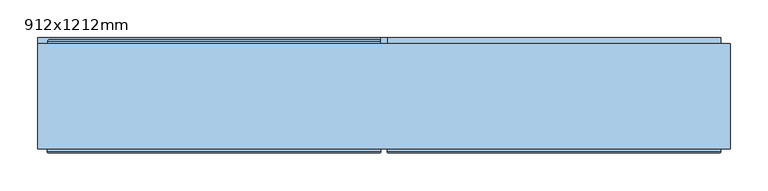
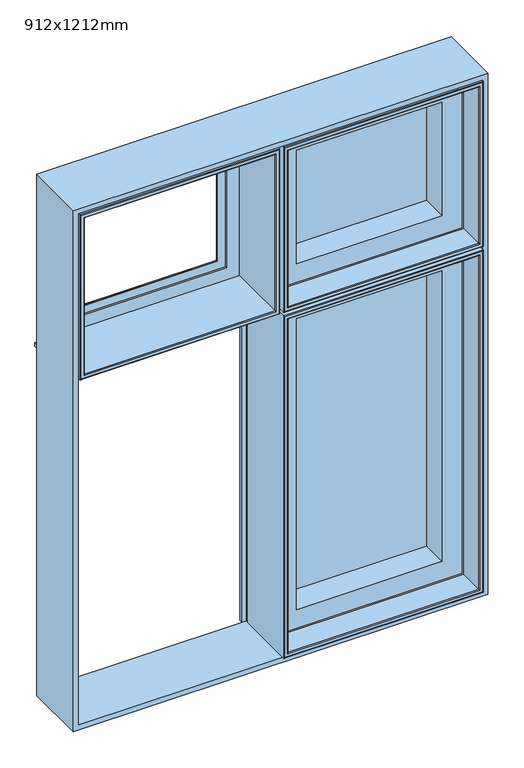
"""IFC4 building model written with IfcOpenShell, lengths in millimetres: window geometry, 912x1212mm."""

from ifc_helpers import new_model, si_unit, frame, origin, place, context, project, spatial, polyline, ellipse_curve, outline, extrude, faceted_brep, source, transform, mapped, element, save
from ifc_brep_helpers import plane_surface, cylinder_surface, revolved_surface, advanced_brep


def window_912x1212mm_fc89abb2(model_context):
    return source(origin(), model_context, "Body", "SolidModel", [
        advanced_brep(
        [(-443.0, 152.5000018, 1999.0), (-441.5000001, 154.0000016, 1997.5000001), (-441.5000001, 154.0000016, 1618.4999999), (-443.0, 152.5000018, 1617.0), (-443.0, 148.3866107, 1999.0), (-443.0, 148.3866107, 1617.0), (-444.0, 142.5000017, 2000.0), (-444.0, 148.3866107, 2000.0), (-444.0, 148.3866107, 1616.0), (-444.0, 142.5000017, 1616.0), (-406.0, 146.5000019, 1962.0), (-406.0, 142.5000017, 1962.0), (-406.0, 142.5000017, 1654.0), (-406.0, 146.5000019, 1654.0), (-387.5192538, 147.4871074, 1943.5192538), (-387.4938789, 146.5000019, 1943.4938789), (-387.4938789, 146.5000019, 1672.5061211), (-387.5192538, 147.4871074, 1672.4807462), (-389.5962483, 148.7951832, 1945.5962483), (-389.5962483, 148.7951832, 1670.4037517), (-390.0, 149.7544748, 1946.0), (-390.0, 149.7544748, 1670.0), (-390.0, 153.0000016, 1946.0), (-390.0, 153.0000016, 1670.0), (-390.5, 153.5000016, 1946.5), (-390.5, 153.5000016, 1669.5), (-406.514074, 154.0000016, 1962.514074), (-405.8, 153.5000016, 1961.8), (-405.8, 153.5000016, 1654.2), (-406.514074, 154.0000016, 1653.485926), (-6.4999999, 154.0000016, 1618.4999999), (-5.0, 152.5000018, 1617.0), (-5.0, 148.3866107, 1617.0), (-4.0, 148.3866107, 1616.0), (-4.0, 142.5000017, 1616.0), (-42.0, 142.5000017, 1654.0), (-42.0, 146.5000019, 1654.0), (-60.5061211, 146.5000019, 1672.5061211), (-60.4807462, 147.4871074, 1672.4807462), (-58.4037517, 148.7951832, 1670.4037517), (-58.0, 149.7544748, 1670.0), (-58.0, 153.0000016, 1670.0), (-57.5, 153.5000016, 1669.5), (-42.2, 153.5000016, 1654.2), (-41.485926, 154.0000016, 1653.485926), (-6.4999999, 154.0000016, 1997.5000001), (-5.0, 152.5000018, 1999.0), (-5.0, 148.3866107, 1999.0), (-4.0, 148.3866107, 2000.0), (-4.0, 142.5000017, 2000.0), (-42.0, 142.5000017, 1962.0), (-42.0, 146.5000019, 1962.0), (-60.5061211, 146.5000019, 1943.4938789), (-60.4807462, 147.4871074, 1943.5192538), (-58.4037517, 148.7951832, 1945.5962483), (-58.0, 149.7544748, 1946.0), (-58.0, 153.0000016, 1946.0), (-57.5, 153.5000016, 1946.5), (-42.2, 153.5000016, 1961.8), (-41.485926, 154.0000016, 1962.514074)],
        [
            (0, 1, ellipse_curve(frame((-441.5000001, 152.5000018, 1997.5000001), z_axis=(-0.7071067811865475, 0.0, -0.7071067811865475), x_axis=(-0.7071067811865474, 0.0, 0.7071067811865476)), 2.1213201, 1.4999998)),
            (1, 2),
            (2, 3, ellipse_curve(frame((-441.5000001, 152.5000018, 1618.4999999), z_axis=(-0.7071067811865475, 0.0, 0.7071067811865475), x_axis=(0.7071067811865474, 0.0, 0.7071067811865476)), 2.1213201, 1.4999998)),
            (3, 0),
            (4, 0),
            (3, 5),
            (5, 4),
            (6, 7),
            (7, 8),
            (8, 9),
            (9, 6),
            (10, 11),
            (11, 12),
            (12, 13),
            (13, 10),
            (14, 15, ellipse_curve(frame((-387.4938789, 146.9938808, 1943.4938789), z_axis=(-0.7071067811865475, 0.0, -0.7071067811865475), x_axis=(-0.7071067811865474, 0.0, 0.7071067811865476)), 0.6984503, 0.4938789)),
            (15, 16),
            (16, 17, ellipse_curve(frame((-387.4938789, 146.9938808, 1672.5061211), z_axis=(-0.7071067811865475, 0.0, 0.7071067811865475), x_axis=(0.7071067811865474, 0.0, 0.7071067811865476)), 0.6984503, 0.4938789)),
            (17, 14),
            (18, 14, ellipse_curve(frame((-387.6227187, 149.6258125, 1943.6227187), z_axis=(0.7071067811865475, 0.0, 0.7071067811865475), x_axis=(0.7071067811865474, 0.0, -0.7071067811865476)), 3.028123, 2.1412063)),
            (17, 19, ellipse_curve(frame((-387.6227187, 149.6258125, 1672.3772813), z_axis=(0.7071067811865475, 0.0, -0.7071067811865475), x_axis=(-0.7071067811865474, 0.0, -0.7071067811865476)), 3.028123, 2.1412063)),
            (19, 18),
            (20, 18),
            (19, 21),
            (21, 20),
            (22, 20),
            (21, 23),
            (23, 22),
            (24, 22, ellipse_curve(frame((-390.5, 153.0000016, 1946.5), z_axis=(-0.7071067811865475, 0.0, -0.7071067811865475), x_axis=(-0.7071067811865474, 0.0, 0.7071067811865476)), 0.7071068, 0.5)),
            (23, 25, ellipse_curve(frame((-390.5, 153.0000016, 1669.5), z_axis=(-0.7071067811865475, 0.0, 0.7071067811865475), x_axis=(0.7071067811865474, 0.0, 0.7071067811865476)), 0.7071068, 0.5)),
            (25, 24),
            (26, 27),
            (27, 28),
            (28, 29),
            (29, 26),
            (2, 30),
            (30, 31, ellipse_curve(frame((-6.4999999, 152.5000018, 1618.4999999), z_axis=(-0.7071067811865475, 0.0, -0.7071067811865475), x_axis=(-0.7071067811865476, 0.0, 0.7071067811865474)), 2.1213201, 1.4999998)),
            (31, 3),
            (31, 32),
            (32, 5),
            (8, 33),
            (33, 34),
            (34, 9),
            (12, 35),
            (35, 36),
            (36, 13),
            (16, 37),
            (37, 38, ellipse_curve(frame((-60.5061211, 146.9938808, 1672.5061211), z_axis=(-0.7071067811865475, 0.0, -0.7071067811865475), x_axis=(-0.7071067811865476, 0.0, 0.7071067811865474)), 0.6984503, 0.4938789)),
            (38, 17),
            (38, 39, ellipse_curve(frame((-60.3772813, 149.6258125, 1672.3772813), z_axis=(0.7071067811865475, 0.0, 0.7071067811865475), x_axis=(0.7071067811865476, 0.0, -0.7071067811865474)), 3.028123, 2.1412063)),
            (39, 19),
            (39, 40),
            (40, 21),
            (40, 41),
            (41, 23),
            (41, 42, ellipse_curve(frame((-57.5, 153.0000016, 1669.5), z_axis=(-0.7071067811865475, 0.0, -0.7071067811865475), x_axis=(-0.7071067811865476, 0.0, 0.7071067811865474)), 0.7071068, 0.5)),
            (42, 25),
            (28, 43),
            (43, 44),
            (44, 29),
            (30, 45),
            (45, 46, ellipse_curve(frame((-6.4999999, 152.5000018, 1997.5000001), z_axis=(0.7071067811865475, 0.0, -0.7071067811865475), x_axis=(-0.7071067811865474, 0.0, -0.7071067811865476)), 2.1213201, 1.4999998)),
            (46, 31),
            (46, 47),
            (47, 32),
            (33, 48),
            (48, 49),
            (49, 34),
            (35, 50),
            (50, 51),
            (51, 36),
            (37, 52),
            (52, 53, ellipse_curve(frame((-60.5061211, 146.9938808, 1943.4938789), z_axis=(0.7071067811865475, 0.0, -0.7071067811865475), x_axis=(-0.7071067811865474, 0.0, -0.7071067811865476)), 0.6984503, 0.4938789)),
            (53, 38),
            (53, 54, ellipse_curve(frame((-60.3772813, 149.6258125, 1943.6227187), z_axis=(-0.7071067811865475, 0.0, 0.7071067811865475), x_axis=(0.7071067811865474, 0.0, 0.7071067811865476)), 3.028123, 2.1412063)),
            (54, 39),
            (54, 55),
            (55, 40),
            (55, 56),
            (56, 41),
            (56, 57, ellipse_curve(frame((-57.5, 153.0000016, 1946.5), z_axis=(0.7071067811865475, 0.0, -0.7071067811865475), x_axis=(-0.7071067811865474, 0.0, -0.7071067811865476)), 0.7071068, 0.5)),
            (57, 42),
            (43, 58),
            (58, 59),
            (59, 44),
            (1, 45),
            (59, 26),
            (0, 46),
            (4, 47),
            (7, 48),
            (6, 49),
            (11, 50),
            (10, 51),
            (15, 52),
            (14, 53),
            (18, 54),
            (20, 55),
            (22, 56),
            (24, 57),
            (27, 58),
        ],
        [
            cylinder_surface(frame((-441.5000001, 152.5000018, 2000.0), z_axis=(0.0, 0.0, 1.0), x_axis=(1.0, 0.0, 0.0)), 1.4999998),
            plane_surface(frame((-443.0, 152.5000018, 1999.0), z_axis=(-1.0, 0.0, 0.0), x_axis=(0.0, 0.0, -1.0))),
            plane_surface(frame((-444.0, 148.3866107, 2000.0), z_axis=(-1.0, 0.0, 0.0), x_axis=(0.0, 0.0, -1.0))),
            plane_surface(frame((-406.0, 142.5000017, 1962.0), z_axis=(1.0, 0.0, 0.0), x_axis=(0.0, 0.0, -1.0))),
            cylinder_surface(frame((-387.4938789, 146.9938808, 2000.0), z_axis=(0.0, 0.0, 1.0), x_axis=(1.0, 0.0, 0.0)), 0.4938789),
            revolved_surface(polyline([(-385.4815124, 149.6258125, 1670.236074992433), (-385.4815124, 149.6258125, 1945.763925007567)]), (-387.6227187, 149.6258125, 2000.0), (0.0, 0.0, -1.0)),
            plane_surface(frame((-389.5962483, 148.7951832, 1945.5962483), z_axis=(0.9216905703601862, 0.3879258853300649, 0.0), x_axis=(0.0, 0.0, -1.0))),
            plane_surface(frame((-390.0, 149.7544748, 1946.0), z_axis=(1.0, 0.0, 0.0), x_axis=(0.0, 0.0, -1.0))),
            cylinder_surface(frame((-390.5, 153.0000016, 2000.0), z_axis=(0.0, 0.0, 1.0), x_axis=(1.0, 0.0, 0.0)), 0.5),
            plane_surface(frame((-405.8, 153.5000016, 1961.8), z_axis=(0.5735764363510134, 0.8191520442890148, 0.0), x_axis=(0.0, 0.0, -1.0))),
            cylinder_surface(frame((-444.0, 152.5000018, 1618.4999999), z_axis=(-1.0, 0.0, 0.0), x_axis=(0.0, 0.0, 1.0)), 1.4999998),
            plane_surface(frame((-443.0, 152.5000018, 1617.0), z_axis=(0.0, 0.0, -1.0), x_axis=(1.0, 0.0, 0.0))),
            plane_surface(frame((-444.0, 148.3866107, 1616.0), z_axis=(0.0, 0.0, -1.0), x_axis=(1.0, 0.0, 0.0))),
            plane_surface(frame((-406.0, 142.5000017, 1654.0), z_axis=(0.0, 0.0, 1.0), x_axis=(1.0, 0.0, 0.0))),
            cylinder_surface(frame((-444.0, 146.9938808, 1672.5061211), z_axis=(-1.0, 0.0, 0.0), x_axis=(0.0, 0.0, 1.0)), 0.4938789),
            revolved_surface(polyline([(-58.23607499243303, 149.6258125, 1674.5184876), (-389.76392500756697, 149.6258125, 1674.5184876)]), (-444.0, 149.6258125, 1672.3772813), (1.0, 0.0, 0.0)),
            plane_surface(frame((-389.5962483, 148.7951832, 1670.4037517), z_axis=(0.0, 0.3879258853300679, 0.921690570360185), x_axis=(1.0, 0.0, 0.0))),
            plane_surface(frame((-390.0, 149.7544748, 1670.0), z_axis=(0.0, 0.0, 1.0), x_axis=(1.0, 0.0, 0.0))),
            cylinder_surface(frame((-444.0, 153.0000016, 1669.5), z_axis=(-1.0, 0.0, 0.0), x_axis=(0.0, 0.0, 1.0)), 0.5),
            plane_surface(frame((-405.8, 153.5000016, 1654.2), z_axis=(0.0, 0.8191520442890167, 0.5735764363510107), x_axis=(1.0, 0.0, 0.0))),
            cylinder_surface(frame((-6.4999999, 152.5000018, 1616.0), z_axis=(0.0, 0.0, -1.0), x_axis=(-1.0, 0.0, 0.0)), 1.4999998),
            plane_surface(frame((-5.0, 152.5000018, 1617.0), z_axis=(1.0, 0.0, 0.0), x_axis=(0.0, 0.0, 1.0))),
            plane_surface(frame((-4.0, 148.3866107, 1616.0), z_axis=(1.0, 0.0, 0.0), x_axis=(0.0, 0.0, 1.0))),
            plane_surface(frame((-42.0, 142.5000017, 1654.0), z_axis=(-1.0, 0.0, 0.0), x_axis=(0.0, 0.0, 1.0))),
            cylinder_surface(frame((-60.5061211, 146.9938808, 1616.0), z_axis=(0.0, 0.0, -1.0), x_axis=(-1.0, 0.0, 0.0)), 0.4938789),
            revolved_surface(polyline([(-62.5184876, 149.6258125, 1945.763925007567), (-62.5184876, 149.6258125, 1670.236074992433)]), (-60.3772813, 149.6258125, 1616.0), (0.0, 0.0, 1.0)),
            plane_surface(frame((-58.4037517, 148.7951832, 1670.4037517), z_axis=(-0.9216905703601838, 0.3879258853300709, 0.0), x_axis=(0.0, 0.0, 1.0))),
            plane_surface(frame((-58.0, 149.7544748, 1670.0), z_axis=(-1.0, 0.0, 0.0), x_axis=(0.0, 0.0, 1.0))),
            cylinder_surface(frame((-57.5, 153.0000016, 1616.0), z_axis=(0.0, 0.0, -1.0), x_axis=(-1.0, 0.0, 0.0)), 0.5),
            plane_surface(frame((-42.2, 153.5000016, 1654.2), z_axis=(-0.5735764363510081, 0.8191520442890186, 0.0), x_axis=(0.0, 0.0, 1.0))),
            plane_surface(frame((-41.485926, 154.0000016, 1962.514074), z_axis=(0.0, 1.0, 0.0), x_axis=(-1.0, 0.0, 0.0))),
            cylinder_surface(frame((-4.0, 152.5000018, 1997.5000001), z_axis=(1.0, 0.0, 0.0), x_axis=(0.0, 0.0, -1.0)), 1.4999998),
            plane_surface(frame((-5.0, 152.5000018, 1999.0), z_axis=(0.0, 0.0, 1.0), x_axis=(-1.0, 0.0, 0.0))),
            plane_surface(frame((-5.0, 148.3866107, 1999.0), z_axis=(0.0, 1.0, 0.0), x_axis=(-1.0, 0.0, 0.0))),
            plane_surface(frame((-4.0, 148.3866107, 2000.0), z_axis=(0.0, 0.0, 1.0), x_axis=(-1.0, 0.0, 0.0))),
            plane_surface(frame((-4.0, 142.5000017, 2000.0), z_axis=(0.0, -1.0, 0.0), x_axis=(-1.0, 0.0, 0.0))),
            plane_surface(frame((-42.0, 142.5000017, 1962.0), z_axis=(0.0, 0.0, -1.0), x_axis=(-1.0, 0.0, 0.0))),
            plane_surface(frame((-42.0, 146.5000019, 1962.0), z_axis=(0.0, -1.0, 0.0), x_axis=(-1.0, 0.0, 0.0))),
            cylinder_surface(frame((-4.0, 146.9938808, 1943.4938789), z_axis=(1.0, 0.0, 0.0), x_axis=(0.0, 0.0, -1.0)), 0.4938789),
            revolved_surface(polyline([(-389.76392500756697, 149.6258125, 1941.4815124), (-58.236074992433046, 149.6258125, 1941.4815124)]), (-4.0, 149.6258125, 1943.6227187), (-1.0, 0.0, 0.0)),
            plane_surface(frame((-58.4037517, 148.7951832, 1945.5962483), z_axis=(0.0, 0.3879258853300679, -0.921690570360185), x_axis=(-1.0, 0.0, 0.0))),
            plane_surface(frame((-58.0, 149.7544748, 1946.0), z_axis=(0.0, 0.0, -1.0), x_axis=(-1.0, 0.0, 0.0))),
            cylinder_surface(frame((-4.0, 153.0000016, 1946.5), z_axis=(1.0, 0.0, 0.0), x_axis=(0.0, 0.0, -1.0)), 0.5),
            plane_surface(frame((-57.5, 153.5000016, 1946.5), z_axis=(0.0, 1.0, 0.0), x_axis=(-1.0, 0.0, 0.0))),
            plane_surface(frame((-42.2, 153.5000016, 1961.8), z_axis=(0.0, 0.8191520442890167, -0.5735764363510107), x_axis=(-1.0, 0.0, 0.0))),
        ],
        [
            (0, [[1, 2, 3, 4]]),
            (1, [[5, -4, 6, 7]]),
            (2, [[8, 9, 10, 11]]),
            (3, [[12, 13, 14, 15]]),
            (4, [[16, 17, 18, 19]]),
            (5, [[20, -19, 21, 22]]),
            (6, [[23, -22, 24, 25]]),
            (7, [[26, -25, 27, 28]]),
            (8, [[29, -28, 30, 31]]),
            (9, [[32, 33, 34, 35]]),
            (10, [[-3, 36, 37, 38]]),
            (11, [[-6, -38, 39, 40]]),
            (12, [[-10, 41, 42, 43]]),
            (13, [[-14, 44, 45, 46]]),
            (14, [[-18, 47, 48, 49]]),
            (15, [[-21, -49, 50, 51]]),
            (16, [[-24, -51, 52, 53]]),
            (17, [[-27, -53, 54, 55]]),
            (18, [[-30, -55, 56, 57]]),
            (19, [[-34, 58, 59, 60]]),
            (20, [[-37, 61, 62, 63]]),
            (21, [[-39, -63, 64, 65]]),
            (22, [[-42, 66, 67, 68]]),
            (23, [[-45, 69, 70, 71]]),
            (24, [[-48, 72, 73, 74]]),
            (25, [[-50, -74, 75, 76]]),
            (26, [[-52, -76, 77, 78]]),
            (27, [[-54, -78, 79, 80]]),
            (28, [[-56, -80, 81, 82]]),
            (29, [[-59, 83, 84, 85]]),
            (30, [[86, -61, -36, -2], [-60, -85, 87, -35]]),
            (31, [[-62, -86, -1, 88]]),
            (32, [[-64, -88, -5, 89]]),
            (33, [[90, -66, -41, -9], [-40, -65, -89, -7]]),
            (34, [[-67, -90, -8, 91]]),
            (35, [[-43, -68, -91, -11], [92, -69, -44, -13]]),
            (36, [[-70, -92, -12, 93]]),
            (37, [[-46, -71, -93, -15], [94, -72, -47, -17]]),
            (38, [[-73, -94, -16, 95]]),
            (39, [[-75, -95, -20, 96]]),
            (40, [[-77, -96, -23, 97]]),
            (41, [[-79, -97, -26, 98]]),
            (42, [[-81, -98, -29, 99]]),
            (43, [[100, -83, -58, -33], [-57, -82, -99, -31]]),
            (44, [[-84, -100, -32, -87]]),
        ],
    ),
        extrude(outline(polyline([(402.0, 118.5000018), (46.0, 118.5000018), (46.0, 146.5000018), (402.0, 146.5000018), (402.0, 118.5000018)])), frame((0.0, 0.0, 1658.0), z_axis=(0.0, 0.0, 1.0), x_axis=(1.0, 0.0, 0.0)), (0.0, 0.0, 1.0), 300.0),
        extrude(outline(polyline([(800.0, -456.0), (800.0, 456.0), (2012.0, 456.0), (2012.0, -456.0), (800.0, -456.0)]), holes=[polyline([(2000.0, -444.0), (2000.0, 444.0), (812.0, 444.0), (812.0, -444.0), (2000.0, -444.0)])]), frame((0.0, 10.0000016, 0.0), z_axis=(0.0, 1.0, 0.0), x_axis=(0.0, 0.0, 1.0)), (0.0, 0.0, 1.0), 139.0),
        faceted_brep([(-456.0, 146.0000016, 1616.0), (-456.0, 156.7000016, 1616.0), (-456.0, 156.7000016, 1608.0), (-456.0, 146.0000016, 1608.0), (444.0, 146.0000016, 1616.0), (444.0, 146.0000016, 1608.0), (444.0, 156.7000016, 1608.0), (444.0, 156.7000016, 1616.0), (-4.0, 156.7000016, 1608.0), (-4.0, 149.0000016, 1608.0), (4.0, 149.0000016, 1608.0), (4.0, 156.7000016, 1608.0), (-4.0, 156.7000016, 1616.0), (-4.0, 156.7000016, 2000.0), (4.0, 156.7000016, 2000.0), (4.0, 156.7000016, 1616.0), (4.0, 156.7000016, 812.0), (-4.0, 156.7000016, 812.0), (4.0, 149.0000016, 1616.0), (-4.0, 149.0000016, 1616.0), (4.0, 149.0000016, 2000.0), (-4.0, 149.0000016, 2000.0), (4.0, 149.0000016, 812.0), (-4.0, 149.0000016, 812.0)], [[[0, 1, 2, 3]], [[4, 5, 6, 7]], [[0, 3, 5, 4]], [[3, 2, 8, 9, 10, 11, 6, 5]], [[2, 1, 12, 13, 14, 15, 7, 6, 11, 16, 17, 8]], [[1, 0, 4, 7, 15, 18, 19, 12]], [[20, 14, 13, 21]], [[22, 23, 17, 16]], [[20, 21, 19, 18]], [[23, 22, 10, 9]], [[21, 13, 12, 19]], [[17, 23, 9, 8]], [[14, 20, 18, 15]], [[22, 16, 11, 10]]]),
        advanced_brep(
        [(12.5, 5.0000015, 820.5), (14.0, 6.5000015, 822.0), (14.0, 6.5000015, 1598.0), (12.5, 5.0000015, 1599.5), (14.0, 142.5000017, 822.0), (14.0, 142.5000017, 1598.0), (4.0, 142.5000017, 812.0), (4.0, 6.5000015, 812.0), (4.0, 6.5000015, 1608.0), (4.0, 142.5000017, 1608.0), (5.5, 5.0000015, 813.5), (5.5, 5.0000015, 1606.5), (434.0, 6.5000015, 1598.0), (435.5, 5.0000015, 1599.5), (434.0, 142.5000017, 1598.0), (444.0, 6.5000015, 1608.0), (444.0, 142.5000017, 1608.0), (442.5, 5.0000015, 1606.5), (434.0, 6.5000015, 822.0), (435.5, 5.0000015, 820.5), (434.0, 142.5000017, 822.0), (444.0, 6.5000015, 812.0), (444.0, 142.5000017, 812.0), (442.5, 5.0000015, 813.5)],
        [
            (0, 1, ellipse_curve(frame((12.5, 6.5000015, 820.5), z_axis=(-0.7071067811865521, 0.0, 0.7071067811865429), x_axis=(-0.7071067811865429, 0.0, -0.7071067811865522)), 2.1213203, 1.5)),
            (1, 2),
            (2, 3, ellipse_curve(frame((12.5, 6.5000015, 1599.5), z_axis=(-0.7071067811865428, 0.0, -0.7071067811865521), x_axis=(0.707106781186552, 0.0, -0.7071067811865429)), 2.1213203, 1.5)),
            (3, 0),
            (1, 4),
            (4, 5),
            (5, 2),
            (6, 7),
            (7, 8),
            (8, 9),
            (9, 6),
            (7, 10, ellipse_curve(frame((5.5, 6.5000015, 813.5), z_axis=(-0.7071067811865521, 0.0, 0.7071067811865429), x_axis=(-0.7071067811865429, 0.0, -0.7071067811865522)), 2.1213203, 1.5)),
            (10, 11),
            (11, 8, ellipse_curve(frame((5.5, 6.5000015, 1606.5), z_axis=(-0.7071067811865428, 0.0, -0.7071067811865521), x_axis=(0.707106781186552, 0.0, -0.7071067811865429)), 2.1213203, 1.5)),
            (2, 12),
            (12, 13, ellipse_curve(frame((435.5, 6.5000015, 1599.5), z_axis=(-0.707106781186552, 0.0, 0.7071067811865429), x_axis=(-0.707106781186543, 0.0, -0.7071067811865519)), 2.1213203, 1.5)),
            (13, 3),
            (5, 14),
            (14, 12),
            (8, 15),
            (15, 16),
            (16, 9),
            (11, 17),
            (17, 15, ellipse_curve(frame((442.5, 6.5000015, 1606.5), z_axis=(-0.707106781186552, 0.0, 0.7071067811865429), x_axis=(-0.707106781186543, 0.0, -0.7071067811865519)), 2.1213203, 1.5)),
            (12, 18),
            (18, 19, ellipse_curve(frame((435.5, 6.5000015, 820.5), z_axis=(0.7071067811865429, 0.0, 0.7071067811865521), x_axis=(-0.707106781186552, 0.0, 0.7071067811865429)), 2.1213203, 1.5)),
            (19, 13),
            (14, 20),
            (20, 18),
            (15, 21),
            (21, 22),
            (22, 16),
            (17, 23),
            (23, 21, ellipse_curve(frame((442.5, 6.5000015, 813.5), z_axis=(0.7071067811865429, 0.0, 0.7071067811865521), x_axis=(-0.707106781186552, 0.0, 0.7071067811865429)), 2.1213203, 1.5)),
            (0, 19),
            (18, 1),
            (20, 4),
            (22, 6),
            (21, 7),
            (23, 10),
        ],
        [
            cylinder_surface(frame((12.5, 6.5000015, 812.0), z_axis=(0.0, 0.0, -1.0), x_axis=(0.0, -1.0, 0.0)), 1.5),
            plane_surface(frame((14.0, 142.5000017, 822.0), z_axis=(1.0, 0.0, 0.0), x_axis=(0.0, 0.0, 1.0))),
            plane_surface(frame((4.0, 6.5000015, 812.0), z_axis=(-1.0, 0.0, 0.0), x_axis=(0.0, 0.0, 1.0))),
            cylinder_surface(frame((5.5, 6.5000015, 812.0), z_axis=(0.0, 0.0, -1.0), x_axis=(0.0, -1.0, 0.0)), 1.5),
            cylinder_surface(frame((4.0, 6.5000015, 1599.5), z_axis=(-1.0, 0.0, 0.0), x_axis=(0.0, -1.0, 0.0)), 1.5),
            plane_surface(frame((14.0, 142.5000017, 1598.0), z_axis=(0.0, 0.0, -1.0), x_axis=(1.0, 0.0, 0.0))),
            plane_surface(frame((4.0, 6.5000015, 1608.0), z_axis=(0.0, 0.0, 1.0), x_axis=(1.0, 0.0, 0.0))),
            cylinder_surface(frame((4.0, 6.5000015, 1606.5), z_axis=(-1.0, 0.0, 0.0), x_axis=(0.0, -1.0, 0.0)), 1.5),
            cylinder_surface(frame((435.5, 6.5000015, 1608.0), z_axis=(0.0, 0.0, 1.0), x_axis=(0.0, -1.0, 0.0)), 1.5),
            plane_surface(frame((434.0, 142.5000017, 1598.0), z_axis=(-1.0, 0.0, 0.0), x_axis=(0.0, 0.0, -1.0))),
            plane_surface(frame((444.0, 6.5000015, 1608.0), z_axis=(1.0, 0.0, 0.0), x_axis=(0.0, 0.0, -1.0))),
            cylinder_surface(frame((442.5, 6.5000015, 1608.0), z_axis=(0.0, 0.0, 1.0), x_axis=(0.0, -1.0, 0.0)), 1.5),
            cylinder_surface(frame((444.0, 6.5000015, 820.5), z_axis=(1.0, 0.0, 0.0), x_axis=(0.0, -1.0, 0.0)), 1.5),
            plane_surface(frame((434.0, 142.5000017, 822.0), z_axis=(0.0, 0.0, 1.0), x_axis=(-1.0, 0.0, 0.0))),
            plane_surface(frame((444.0, 142.5000017, 812.0), z_axis=(0.0, 1.0, 0.0), x_axis=(-1.0, 0.0, 0.0))),
            plane_surface(frame((444.0, 6.5000015, 812.0), z_axis=(0.0, 0.0, -1.0), x_axis=(-1.0, 0.0, 0.0))),
            cylinder_surface(frame((444.0, 6.5000015, 813.5), z_axis=(1.0, 0.0, 0.0), x_axis=(0.0, -1.0, 0.0)), 1.5),
            plane_surface(frame((435.5, 5.0000015, 820.5), z_axis=(0.0, -1.0, 0.0), x_axis=(-1.0, 0.0, 0.0))),
        ],
        [
            (0, [[1, 2, 3, 4]]),
            (1, [[-2, 5, 6, 7]]),
            (2, [[8, 9, 10, 11]]),
            (3, [[-9, 12, 13, 14]]),
            (4, [[-3, 15, 16, 17]]),
            (5, [[-7, 18, 19, -15]]),
            (6, [[-10, 20, 21, 22]]),
            (7, [[-14, 23, 24, -20]]),
            (8, [[-16, 25, 26, 27]]),
            (9, [[-19, 28, 29, -25]]),
            (10, [[-21, 30, 31, 32]]),
            (11, [[-24, 33, 34, -30]]),
            (12, [[-1, 35, -26, 36]]),
            (13, [[-5, -36, -29, 37]]),
            (14, [[-11, -22, -32, 38], [-6, -37, -28, -18]]),
            (15, [[-8, -38, -31, 39]]),
            (16, [[-12, -39, -34, 40]]),
            (17, [[-13, -40, -33, -23], [-4, -17, -27, -35]]),
        ],
    ),
        advanced_brep(
        [(14.0, 6.5000016, 1990.0), (12.5, 5.0000016, 1991.5), (12.5, 5.0000016, 1624.5), (14.0, 6.5000016, 1626.0), (14.0, 142.5000017, 1626.0), (14.0, 142.5000017, 1990.0), (4.0, 6.5000016, 2000.0), (4.0, 142.5000017, 2000.0), (4.0, 142.5000017, 1616.0), (4.0, 6.5000016, 1616.0), (5.5, 5.0000016, 1617.5), (5.5, 5.0000016, 1998.5), (435.5, 5.0000016, 1624.5), (434.0, 6.5000016, 1626.0), (434.0, 142.5000017, 1626.0), (444.0, 142.5000017, 1616.0), (444.0, 6.5000016, 1616.0), (442.5, 5.0000016, 1617.5), (435.5, 5.0000016, 1991.5), (434.0, 6.5000016, 1990.0), (434.0, 142.5000017, 1990.0), (444.0, 142.5000017, 2000.0), (444.0, 6.5000016, 2000.0), (442.5, 5.0000016, 1998.5)],
        [
            (0, 1, ellipse_curve(frame((12.5, 6.5000016, 1991.5), z_axis=(-0.7071067811865475, 0.0, -0.7071067811865475), x_axis=(-0.7071067811865474, 0.0, 0.7071067811865476)), 2.1213203, 1.5)),
            (1, 2),
            (2, 3, ellipse_curve(frame((12.5, 6.5000016, 1624.5), z_axis=(-0.7071067811865475, 0.0, 0.7071067811865475), x_axis=(0.7071067811865474, 0.0, 0.7071067811865476)), 2.1213203, 1.5)),
            (3, 0),
            (3, 4),
            (4, 5),
            (5, 0),
            (6, 7),
            (7, 8),
            (8, 9),
            (9, 6),
            (9, 10, ellipse_curve(frame((5.5, 6.5000016, 1617.5), z_axis=(-0.7071067811865475, 0.0, 0.7071067811865475), x_axis=(0.7071067811865474, 0.0, 0.7071067811865476)), 2.1213203, 1.5)),
            (10, 11),
            (11, 6, ellipse_curve(frame((5.5, 6.5000016, 1998.5), z_axis=(-0.7071067811865475, 0.0, -0.7071067811865475), x_axis=(-0.7071067811865474, 0.0, 0.7071067811865476)), 2.1213203, 1.5)),
            (2, 12),
            (12, 13, ellipse_curve(frame((435.5, 6.5000016, 1624.5), z_axis=(-0.7071067811865475, 0.0, -0.7071067811865475), x_axis=(-0.7071067811865476, 0.0, 0.7071067811865474)), 2.1213203, 1.5)),
            (13, 3),
            (13, 14),
            (14, 4),
            (8, 15),
            (15, 16),
            (16, 9),
            (16, 17, ellipse_curve(frame((442.5, 6.5000016, 1617.5), z_axis=(-0.7071067811865475, 0.0, -0.7071067811865475), x_axis=(-0.7071067811865476, 0.0, 0.7071067811865474)), 2.1213203, 1.5)),
            (17, 10),
            (12, 18),
            (18, 19, ellipse_curve(frame((435.5, 6.5000016, 1991.5), z_axis=(0.7071067811865475, 0.0, -0.7071067811865475), x_axis=(-0.7071067811865474, 0.0, -0.7071067811865476)), 2.1213203, 1.5)),
            (19, 13),
            (19, 20),
            (20, 14),
            (15, 21),
            (21, 22),
            (22, 16),
            (22, 23, ellipse_curve(frame((442.5, 6.5000016, 1998.5), z_axis=(0.7071067811865475, 0.0, -0.7071067811865475), x_axis=(-0.7071067811865474, 0.0, -0.7071067811865476)), 2.1213203, 1.5)),
            (23, 17),
            (0, 19),
            (18, 1),
            (5, 20),
            (7, 21),
            (6, 22),
            (11, 23),
        ],
        [
            cylinder_surface(frame((12.5, 6.5000016, 2000.0), z_axis=(0.0, 0.0, 1.0), x_axis=(1.0, 0.0, 0.0)), 1.5),
            plane_surface(frame((14.0, 6.5000016, 1990.0), z_axis=(1.0, 0.0, 0.0), x_axis=(0.0, 0.0, -1.0))),
            plane_surface(frame((4.0, 142.5000017, 2000.0), z_axis=(-1.0, 0.0, 0.0), x_axis=(0.0, 0.0, -1.0))),
            cylinder_surface(frame((5.5, 6.5000016, 2000.0), z_axis=(0.0, 0.0, 1.0), x_axis=(1.0, 0.0, 0.0)), 1.5),
            cylinder_surface(frame((4.0, 6.5000016, 1624.5), z_axis=(-1.0, 0.0, 0.0), x_axis=(0.0, 0.0, 1.0)), 1.5),
            plane_surface(frame((14.0, 6.5000016, 1626.0), z_axis=(0.0, 0.0, 1.0), x_axis=(1.0, 0.0, 0.0))),
            plane_surface(frame((4.0, 142.5000017, 1616.0), z_axis=(0.0, 0.0, -1.0), x_axis=(1.0, 0.0, 0.0))),
            cylinder_surface(frame((4.0, 6.5000016, 1617.5), z_axis=(-1.0, 0.0, 0.0), x_axis=(0.0, 0.0, 1.0)), 1.5),
            cylinder_surface(frame((435.5, 6.5000016, 1616.0), z_axis=(0.0, 0.0, -1.0), x_axis=(-1.0, 0.0, 0.0)), 1.5),
            plane_surface(frame((434.0, 6.5000016, 1626.0), z_axis=(-1.0, 0.0, 0.0), x_axis=(0.0, 0.0, 1.0))),
            plane_surface(frame((444.0, 142.5000017, 1616.0), z_axis=(1.0, 0.0, 0.0), x_axis=(0.0, 0.0, 1.0))),
            cylinder_surface(frame((442.5, 6.5000016, 1616.0), z_axis=(0.0, 0.0, -1.0), x_axis=(-1.0, 0.0, 0.0)), 1.5),
            cylinder_surface(frame((444.0, 6.5000016, 1991.5), z_axis=(1.0, 0.0, 0.0), x_axis=(0.0, 0.0, -1.0)), 1.5),
            plane_surface(frame((434.0, 6.5000016, 1990.0), z_axis=(0.0, 0.0, -1.0), x_axis=(-1.0, 0.0, 0.0))),
            plane_surface(frame((434.0, 142.5000017, 1990.0), z_axis=(0.0, 1.0, 0.0), x_axis=(-1.0, 0.0, 0.0))),
            plane_surface(frame((444.0, 142.5000017, 2000.0), z_axis=(0.0, 0.0, 1.0), x_axis=(-1.0, 0.0, 0.0))),
            cylinder_surface(frame((444.0, 6.5000016, 1998.5), z_axis=(1.0, 0.0, 0.0), x_axis=(0.0, 0.0, -1.0)), 1.5),
            plane_surface(frame((442.5, 5.0000016, 1998.5), z_axis=(0.0, -1.0, 0.0), x_axis=(-1.0, 0.0, 0.0))),
        ],
        [
            (0, [[1, 2, 3, 4]]),
            (1, [[-4, 5, 6, 7]]),
            (2, [[8, 9, 10, 11]]),
            (3, [[-11, 12, 13, 14]]),
            (4, [[-3, 15, 16, 17]]),
            (5, [[-5, -17, 18, 19]]),
            (6, [[-10, 20, 21, 22]]),
            (7, [[-12, -22, 23, 24]]),
            (8, [[-16, 25, 26, 27]]),
            (9, [[-18, -27, 28, 29]]),
            (10, [[-21, 30, 31, 32]]),
            (11, [[-23, -32, 33, 34]]),
            (12, [[-1, 35, -26, 36]]),
            (13, [[-7, 37, -28, -35]]),
            (14, [[-9, 38, -30, -20], [-6, -19, -29, -37]]),
            (15, [[-8, 39, -31, -38]]),
            (16, [[-14, 40, -33, -39]]),
            (17, [[-13, -24, -34, -40], [-2, -36, -25, -15]]),
        ],
    ),
        advanced_brep(
        [(-434.0, 6.5000015, 1990.0), (-435.5, 5.0000015, 1991.5), (-435.5, 5.0000015, 1624.5), (-434.0, 6.5000015, 1626.0), (-434.0, 142.5000017, 1626.0), (-434.0, 142.5000017, 1990.0), (-444.0, 6.5000015, 2000.0), (-444.0, 142.5000017, 2000.0), (-444.0, 142.5000017, 1616.0), (-444.0, 6.5000015, 1616.0), (-442.5, 5.0000015, 1617.5), (-442.5, 5.0000015, 1998.5), (-12.5, 5.0000015, 1624.5), (-14.0, 6.5000015, 1626.0), (-14.0, 142.5000017, 1626.0), (-4.0, 142.5000017, 1616.0), (-4.0, 6.5000015, 1616.0), (-5.5, 5.0000015, 1617.5), (-12.5, 5.0000015, 1991.5), (-14.0, 6.5000015, 1990.0), (-14.0, 142.5000017, 1990.0), (-4.0, 142.5000017, 2000.0), (-4.0, 6.5000015, 2000.0), (-5.5, 5.0000015, 1998.5)],
        [
            (0, 1, ellipse_curve(frame((-435.5, 6.5000015, 1991.5), z_axis=(-0.7071067811865475, 0.0, -0.7071067811865475), x_axis=(-0.7071067811865474, 0.0, 0.7071067811865476)), 2.1213203, 1.5)),
            (1, 2),
            (2, 3, ellipse_curve(frame((-435.5, 6.5000015, 1624.5), z_axis=(-0.7071067811865475, 0.0, 0.7071067811865475), x_axis=(0.7071067811865474, 0.0, 0.7071067811865476)), 2.1213203, 1.5)),
            (3, 0),
            (3, 4),
            (4, 5),
            (5, 0),
            (6, 7),
            (7, 8),
            (8, 9),
            (9, 6),
            (9, 10, ellipse_curve(frame((-442.5, 6.5000015, 1617.5), z_axis=(-0.7071067811865475, 0.0, 0.7071067811865475), x_axis=(0.7071067811865474, 0.0, 0.7071067811865476)), 2.1213203, 1.5)),
            (10, 11),
            (11, 6, ellipse_curve(frame((-442.5, 6.5000015, 1998.5), z_axis=(-0.7071067811865475, 0.0, -0.7071067811865475), x_axis=(-0.7071067811865474, 0.0, 0.7071067811865476)), 2.1213203, 1.5)),
            (2, 12),
            (12, 13, ellipse_curve(frame((-12.5, 6.5000015, 1624.5), z_axis=(-0.7071067811865475, 0.0, -0.7071067811865475), x_axis=(-0.7071067811865476, 0.0, 0.7071067811865474)), 2.1213203, 1.5)),
            (13, 3),
            (13, 14),
            (14, 4),
            (8, 15),
            (15, 16),
            (16, 9),
            (16, 17, ellipse_curve(frame((-5.5, 6.5000015, 1617.5), z_axis=(-0.7071067811865475, 0.0, -0.7071067811865475), x_axis=(-0.7071067811865476, 0.0, 0.7071067811865474)), 2.1213203, 1.5)),
            (17, 10),
            (12, 18),
            (18, 19, ellipse_curve(frame((-12.5, 6.5000015, 1991.5), z_axis=(0.7071067811865475, 0.0, -0.7071067811865475), x_axis=(-0.7071067811865474, 0.0, -0.7071067811865476)), 2.1213203, 1.5)),
            (19, 13),
            (19, 20),
            (20, 14),
            (15, 21),
            (21, 22),
            (22, 16),
            (22, 23, ellipse_curve(frame((-5.5, 6.5000015, 1998.5), z_axis=(0.7071067811865475, 0.0, -0.7071067811865475), x_axis=(-0.7071067811865474, 0.0, -0.7071067811865476)), 2.1213203, 1.5)),
            (23, 17),
            (0, 19),
            (18, 1),
            (5, 20),
            (7, 21),
            (6, 22),
            (11, 23),
        ],
        [
            cylinder_surface(frame((-435.5, 6.5000015, 2000.0), z_axis=(0.0, 0.0, 1.0), x_axis=(1.0, 0.0, 0.0)), 1.5),
            plane_surface(frame((-434.0, 6.5000015, 1990.0), z_axis=(1.0, 0.0, 0.0), x_axis=(0.0, 0.0, -1.0))),
            plane_surface(frame((-444.0, 142.5000017, 2000.0), z_axis=(-1.0, 0.0, 0.0), x_axis=(0.0, 0.0, -1.0))),
            cylinder_surface(frame((-442.5, 6.5000015, 2000.0), z_axis=(0.0, 0.0, 1.0), x_axis=(1.0, 0.0, 0.0)), 1.5),
            cylinder_surface(frame((-444.0, 6.5000015, 1624.5), z_axis=(-1.0, 0.0, 0.0), x_axis=(0.0, 0.0, 1.0)), 1.5),
            plane_surface(frame((-434.0, 6.5000015, 1626.0), z_axis=(0.0, 0.0, 1.0), x_axis=(1.0, 0.0, 0.0))),
            plane_surface(frame((-444.0, 142.5000017, 1616.0), z_axis=(0.0, 0.0, -1.0), x_axis=(1.0, 0.0, 0.0))),
            cylinder_surface(frame((-444.0, 6.5000015, 1617.5), z_axis=(-1.0, 0.0, 0.0), x_axis=(0.0, 0.0, 1.0)), 1.5),
            cylinder_surface(frame((-12.5, 6.5000015, 1616.0), z_axis=(0.0, 0.0, -1.0), x_axis=(-1.0, 0.0, 0.0)), 1.5),
            plane_surface(frame((-14.0, 6.5000015, 1626.0), z_axis=(-1.0, 0.0, 0.0), x_axis=(0.0, 0.0, 1.0))),
            plane_surface(frame((-4.0, 142.5000017, 1616.0), z_axis=(1.0, 0.0, 0.0), x_axis=(0.0, 0.0, 1.0))),
            cylinder_surface(frame((-5.5, 6.5000015, 1616.0), z_axis=(0.0, 0.0, -1.0), x_axis=(-1.0, 0.0, 0.0)), 1.5),
            cylinder_surface(frame((-4.0, 6.5000015, 1991.5), z_axis=(1.0, 0.0, 0.0), x_axis=(0.0, 0.0, -1.0)), 1.5),
            plane_surface(frame((-14.0, 6.5000015, 1990.0), z_axis=(0.0, 0.0, -1.0), x_axis=(-1.0, 0.0, 0.0))),
            plane_surface(frame((-14.0, 142.5000017, 1990.0), z_axis=(0.0, 1.0, 0.0), x_axis=(-1.0, 0.0, 0.0))),
            plane_surface(frame((-4.0, 142.5000017, 2000.0), z_axis=(0.0, 0.0, 1.0), x_axis=(-1.0, 0.0, 0.0))),
            cylinder_surface(frame((-4.0, 6.5000015, 1998.5), z_axis=(1.0, 0.0, 0.0), x_axis=(0.0, 0.0, -1.0)), 1.5),
            plane_surface(frame((-5.5, 5.0000015, 1998.5), z_axis=(0.0, -1.0, 0.0), x_axis=(-1.0, 0.0, 0.0))),
        ],
        [
            (0, [[1, 2, 3, 4]]),
            (1, [[-4, 5, 6, 7]]),
            (2, [[8, 9, 10, 11]]),
            (3, [[-11, 12, 13, 14]]),
            (4, [[-3, 15, 16, 17]]),
            (5, [[-5, -17, 18, 19]]),
            (6, [[-10, 20, 21, 22]]),
            (7, [[-12, -22, 23, 24]]),
            (8, [[-16, 25, 26, 27]]),
            (9, [[-18, -27, 28, 29]]),
            (10, [[-21, 30, 31, 32]]),
            (11, [[-23, -32, 33, 34]]),
            (12, [[-1, 35, -26, 36]]),
            (13, [[-7, 37, -28, -35]]),
            (14, [[-9, 38, -30, -20], [-6, -19, -29, -37]]),
            (15, [[-8, 39, -31, -38]]),
            (16, [[-14, 40, -33, -39]]),
            (17, [[-13, -24, -34, -40], [-2, -36, -25, -15]]),
        ],
    ),
        faceted_brep([(42.0, 118.5000018, 850.0), (42.0, 142.5000017, 850.0), (42.0, 142.5000017, 1570.0), (42.0, 118.5000018, 1570.0), (14.0, 142.5000017, 822.0), (14.0, 63.3258286, 822.0), (14.0, 63.3258286, 1598.0), (14.0, 142.5000017, 1598.0), (20.8, 63.3258286, 828.8), (20.8, 59.5000018, 828.8), (20.8, 59.5000018, 1591.2), (20.8, 63.3258286, 1591.2), (64.0, 59.5000018, 872.0), (64.0, 118.5000018, 872.0), (64.0, 118.5000018, 1548.0), (64.0, 59.5000018, 1548.0), (406.0, 142.5000017, 1570.0), (406.0, 118.5000018, 1570.0), (434.0, 63.3258286, 1598.0), (434.0, 142.5000017, 1598.0), (427.2, 59.5000018, 1591.2), (427.2, 63.3258286, 1591.2), (384.0, 118.5000018, 1548.0), (384.0, 59.5000018, 1548.0), (406.0, 142.5000017, 850.0), (406.0, 118.5000018, 850.0), (434.0, 63.3258286, 822.0), (434.0, 142.5000017, 822.0), (427.2, 59.5000018, 828.8), (427.2, 63.3258286, 828.8), (384.0, 118.5000018, 872.0), (384.0, 59.5000018, 872.0)], [[[0, 1, 2, 3]], [[4, 5, 6, 7]], [[8, 9, 10, 11]], [[12, 13, 14, 15]], [[3, 2, 16, 17]], [[7, 6, 18, 19]], [[11, 10, 20, 21]], [[15, 14, 22, 23]], [[17, 16, 24, 25]], [[19, 18, 26, 27]], [[21, 20, 28, 29]], [[23, 22, 30, 31]], [[25, 24, 1, 0]], [[7, 19, 27, 4], [1, 24, 16, 2]], [[27, 26, 5, 4]], [[5, 26, 18, 6], [11, 21, 29, 8]], [[29, 28, 9, 8]], [[9, 28, 20, 10], [15, 23, 31, 12]], [[31, 30, 13, 12]], [[3, 17, 25, 0], [13, 30, 22, 14]]]),
        extrude(outline(polyline([(402.0, 118.5000019), (46.0, 118.5000019), (46.0, 146.5000019), (402.0, 146.5000019), (402.0, 118.5000019)])), frame((0.0, 0.0, 854.0), z_axis=(0.0, 0.0, 1.0), x_axis=(1.0, 0.0, 0.0)), (0.0, 0.0, 1.0), 712.0),
        faceted_brep([(42.0, 142.5000017, 1962.0), (42.0, 118.5000018, 1962.0), (42.0, 118.5000018, 1654.0), (42.0, 142.5000017, 1654.0), (14.0, 63.3258286, 1990.0), (14.0, 142.5000017, 1990.0), (14.0, 142.5000017, 1626.0), (14.0, 63.3258286, 1626.0), (20.8, 59.5000018, 1983.2), (20.8, 63.3258286, 1983.2), (20.8, 63.3258286, 1632.8), (20.8, 59.5000018, 1632.8), (64.0, 118.5000018, 1940.0), (64.0, 59.5000018, 1940.0), (64.0, 59.5000018, 1676.0), (64.0, 118.5000018, 1676.0), (406.0, 118.5000018, 1654.0), (406.0, 142.5000017, 1654.0), (434.0, 142.5000017, 1626.0), (434.0, 63.3258286, 1626.0), (427.2, 63.3258286, 1632.8), (427.2, 59.5000018, 1632.8), (384.0, 59.5000018, 1676.0), (384.0, 118.5000018, 1676.0), (406.0, 118.5000018, 1962.0), (406.0, 142.5000017, 1962.0), (434.0, 142.5000017, 1990.0), (434.0, 63.3258286, 1990.0), (427.2, 63.3258286, 1983.2), (427.2, 59.5000018, 1983.2), (384.0, 59.5000018, 1940.0), (384.0, 118.5000018, 1940.0)], [[[0, 1, 2, 3]], [[4, 5, 6, 7]], [[8, 9, 10, 11]], [[12, 13, 14, 15]], [[3, 2, 16, 17]], [[7, 6, 18, 19]], [[11, 10, 20, 21]], [[15, 14, 22, 23]], [[17, 16, 24, 25]], [[19, 18, 26, 27]], [[21, 20, 28, 29]], [[23, 22, 30, 31]], [[25, 24, 1, 0]], [[5, 26, 18, 6], [3, 17, 25, 0]], [[27, 26, 5, 4]], [[7, 19, 27, 4], [9, 28, 20, 10]], [[29, 28, 9, 8]], [[11, 21, 29, 8], [13, 30, 22, 14]], [[31, 30, 13, 12]], [[1, 24, 16, 2], [15, 23, 31, 12]]]),
    ])


if __name__ == "__main__":
    model = new_model("IFC4")
    model_context = context("Model", 3, world=origin())
    ifc_project = project(units=[si_unit("LENGTHUNIT", "METRE", prefix="MILLI")], contexts=[model_context])
    site = spatial("IfcSite", under=ifc_project)
    building = spatial("IfcBuilding", under=site)
    placement = place(None, origin())
    window_912x1212mm_shape = window_912x1212mm_fc89abb2(model_context)
    element("IfcWindow", 1, ObjectType="912x1212mm", at=placement, inside=building, context=model_context, shape_type="MappedRepresentation", body=[
        mapped(window_912x1212mm_shape, transform((0.0, 0.0, 0.0), x_axis=(1.0, 0.0, 0.0), y_axis=(0.0, 1.0, 0.0), z_axis=(0.0, 0.0, 1.0))),
    ])
    save(model, "model.ifc")
